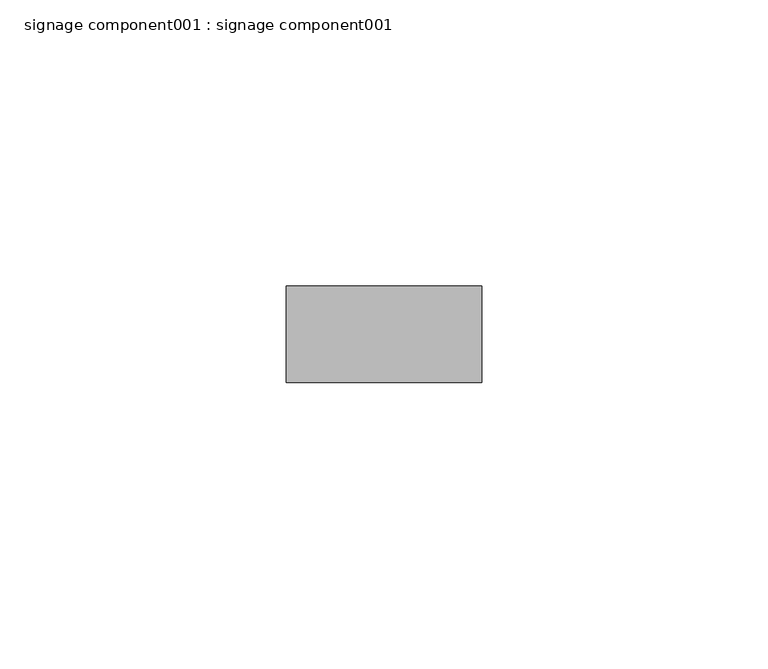
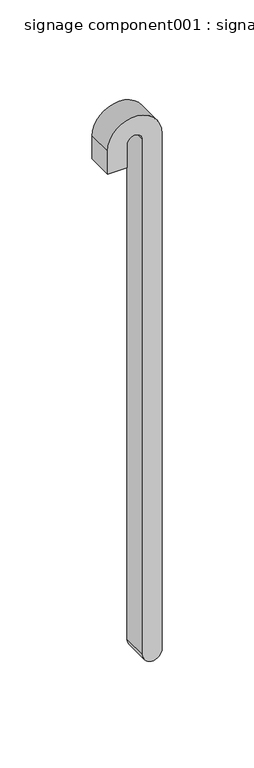
"""IFC4 building model written with IfcOpenShell, lengths in millimetres: proxy geometry, signage component001 : signage component001."""

from ifc_helpers import new_model, si_unit, point, frame, frame_2d, origin, place, context, project, spatial, polyline, circle_curve, trimmed, segment, composite_curve, outline, extrude, source, transform, mapped, element, save


def signage_component001_signage_component001_12cf470d(model_context):
    return source(origin(), model_context, "Body", "SweptSolid", [
        extrude(outline(composite_curve([segment(polyline([(3338.1039588, 39588.5546025), (3338.1039588, 39600.6903946), (3353.0474793, 39600.6903946)]), True, "CONTINUOUS"), segment(trimmed(circle_curve(frame_2d((3353.0474793, 39605.6321067)), 4.9417121), [point((3353.0474793, 39600.6903946))], [point((3353.0474793, 39610.5738188))], True, "CARTESIAN"), True, "CONTINUOUS"), segment(polyline([(3353.0474793, 39610.5738188), (3012.0591046, 39610.5738188)]), True, "CONTINUOUS"), segment(trimmed(circle_curve(frame_2d((3012.0591046, 39616.6417148)), 6.067896), [point((3012.0591046, 39610.5738188))], [point((3012.0591046, 39622.7096109))], False, "CARTESIAN"), True, "CONTINUOUS"), segment(polyline([(3012.0591046, 39622.7096109), (3353.0474793, 39622.7096109)]), True, "CONTINUOUS"), segment(trimmed(circle_curve(frame_2d((3353.0474793, 39605.6321067)), 17.0775042), [point((3353.0474793, 39622.7096109))], [point((3353.0474793, 39588.5546025))], False, "CARTESIAN"), True, "CONTINUOUS"), segment(polyline([(3353.0474793, 39588.5546025), (3338.1039588, 39588.5546025)]), True, "CONTINUOUS")], self_intersect=False)), frame((0.0, -25110.0893227, 0.0), z_axis=(0.0, 1.0, 0.0), x_axis=(0.0, 0.0, 1.0)), (0.0, 0.0, 1.0), 16.8334581),
    ])


if __name__ == "__main__":
    model = new_model("IFC4")
    model_context = context("Model", 3, world=origin())
    ifc_project = project(units=[si_unit("LENGTHUNIT", "METRE", prefix="MILLI")], contexts=[model_context])
    site = spatial("IfcSite", under=ifc_project)
    building = spatial("IfcBuilding", under=site)
    placement = place(None, origin())
    signage_component001_signage_component001_shape = signage_component001_signage_component001_12cf470d(model_context)
    element("IfcBuildingElementProxy", 1, Name="signage component001 : signage component001", ObjectType="signage component001 : signage component001", at=placement, inside=building, context=model_context, shape_type="MappedRepresentation", body=[
        mapped(signage_component001_signage_component001_shape, transform((0.0, 0.0, 0.0), x_axis=(1.0, 0.0, 0.0), y_axis=(0.0, 1.0, 0.0), z_axis=(0.0, 0.0, 1.0))),
    ])
    save(model, "model.ifc")
